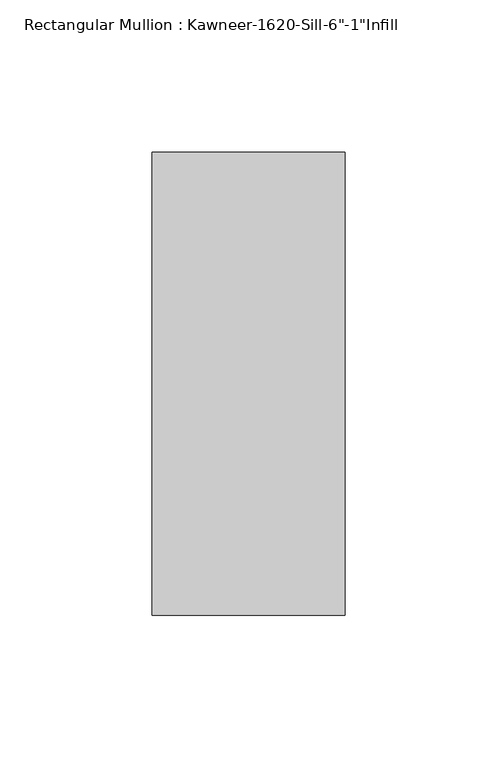
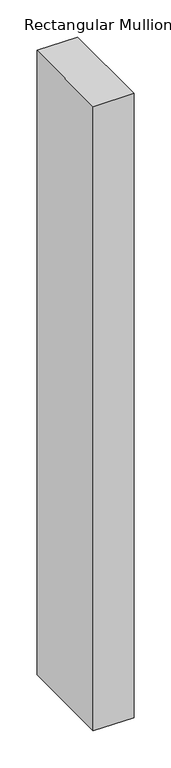
"""IFC4 building model written with IfcOpenShell, lengths in millimetres: member geometry."""

from ifc_helpers import new_model, si_unit, frame, origin, place, context, project, spatial, polyline, outline, extrude, source, transform, mapped, element, save


def member_72a2fc03(model_context):
    return source(origin(), model_context, "Body", "SweptSolid", [
        extrude(outline(polyline([(-63.5, 38.1), (0.0, 38.1), (0.0, -114.3), (-63.5, -114.3), (-63.5, 38.1)])), frame((0.0, 0.0, -1030.0568005), z_axis=(0.0, 0.0, 1.0), x_axis=(1.0, 0.0, 0.0)), (0.0, 0.0, 1.0), 1030.0568005),
    ])


if __name__ == "__main__":
    model = new_model("IFC4")
    model_context = context("Model", 3, world=origin())
    ifc_project = project(units=[si_unit("LENGTHUNIT", "METRE", prefix="MILLI")], contexts=[model_context])
    site = spatial("IfcSite", under=ifc_project)
    building = spatial("IfcBuilding", under=site)
    placement = place(None, origin())
    member_shape = member_72a2fc03(model_context)
    element("IfcMember", 1, ObjectType="Rectangular Mullion : Kawneer-1620-Sill-6\"-1\"Infill", at=placement, inside=building, context=model_context, shape_type="MappedRepresentation", body=[
        mapped(member_shape, transform((0.0, 0.0, 0.0), x_axis=(1.0, 0.0, 0.0), y_axis=(0.0, 1.0, 0.0), z_axis=(0.0, 0.0, 1.0))),
    ])
    save(model, "model.ifc")
